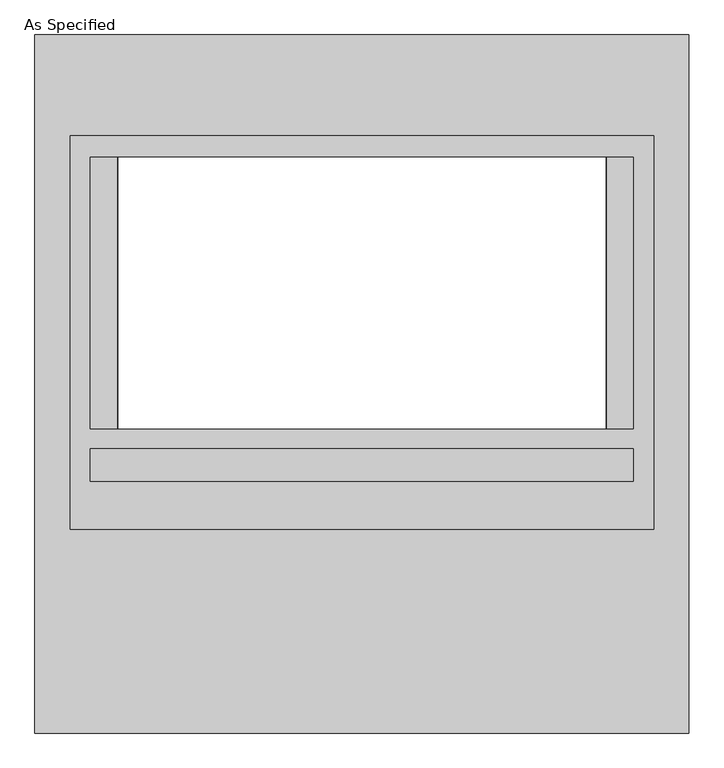
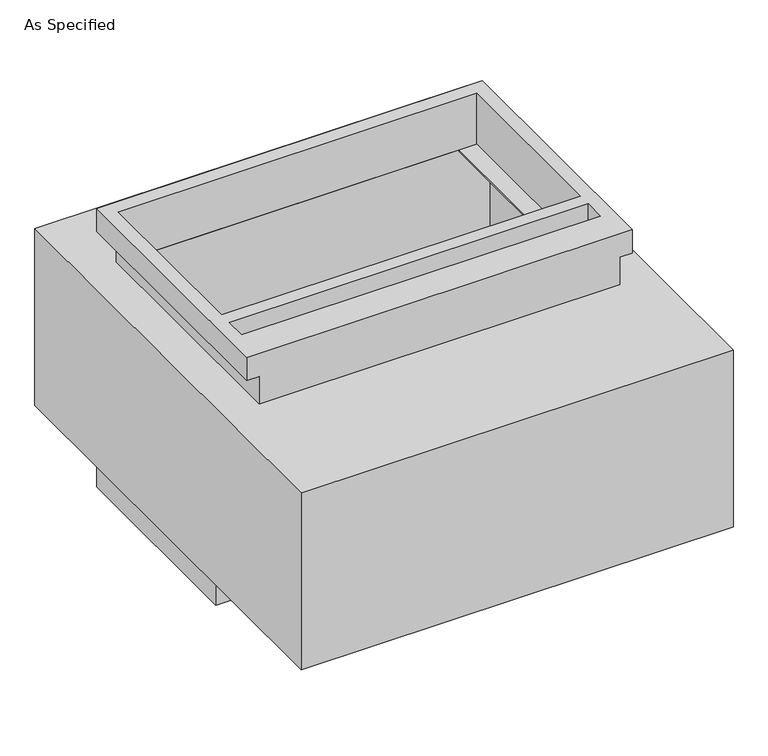
"""IFC4 building model written with IfcOpenShell, lengths in millimetres: proxy geometry, As Specified."""

from ifc_helpers import new_model, si_unit, frame, origin, place, context, project, spatial, polyline, circle_curve, faceted_brep, source, transform, mapped, element, save
from ifc_brep_helpers import plane_surface, revolved_surface, advanced_brep


def as_specified_eef8ee54(model_context):
    return source(origin(), model_context, "Body", "SolidModel", [
        faceted_brep([(546.1, 464.2941406, -682.7242188), (546.1, -119.9058594, -682.7242188), (-546.1, -119.9058594, -682.7242188), (-546.1, 464.2941406, -682.7242188), (508.0, -83.3933594, -682.7242188), (508.0, 424.6066406, -682.7242188), (-508.0, 424.6066406, -682.7242188), (-508.0, -83.3933594, -682.7242188), (-511.175, -119.9058594, -530.3242188), (511.175, -119.9058594, -530.3242188), (511.175, 429.3691406, -530.3242188), (-511.175, 429.3691406, -530.3242188), (508.0, 424.6066406, -530.3242188), (508.0, -83.3933594, -530.3242188), (-508.0, -83.3933594, -530.3242188), (-508.0, 424.6066406, -530.3242188), (-546.1, 464.2941406, -612.8742188), (546.1, 464.2941406, -612.8742188), (-546.1, -119.9058594, -612.8742188), (546.1, -119.9058594, -612.8742188), (511.175, -119.9058594, -612.8742188), (-511.175, -119.9058594, -612.8742188), (-511.175, 429.3691406, -612.8742188), (511.175, 429.3691406, -612.8742188)], [[[0, 1, 2, 3], [4, 5, 6, 7]], [[8, 9, 10, 11], [12, 13, 14, 15]], [[0, 3, 16, 17]], [[3, 2, 18, 16]], [[2, 1, 19, 20, 9, 8, 21, 18]], [[1, 0, 17, 19]], [[22, 23, 20, 19, 17, 16, 18, 21]], [[23, 10, 9, 20]], [[23, 22, 11, 10]], [[11, 22, 21, 8]], [[12, 5, 4, 13]], [[13, 4, 7, 14]], [[14, 7, 6, 15]], [[5, 12, 15, 6]]]),
        advanced_brep(
        [(611.98125, 653.3058594, -530.3242188), (611.98125, -653.3058594, -530.3242188), (-611.98125, -653.3058594, -530.3242188), (-611.98125, 653.3058594, -530.3242188), (457.2, -83.3933594, -530.3242188), (457.2, 424.6066406, -530.3242188), (-457.2, 424.6066406, -530.3242188), (-457.2, -83.3933594, -530.3242188), (611.98125, 653.3058594, 0.0), (-611.98125, 653.3058594, 0.0), (-611.98125, -653.3058594, 0.0), (611.98125, -653.3058594, 0.0), (457.2, 424.6066406, 0.0), (457.2, -83.3933594, 0.0), (-457.2, -83.3933594, 0.0), (-457.2, 424.6066406, 0.0), (611.98125, -272.3058594, -430.3117188), (611.98125, -294.5308594, -430.3117188), (611.98125, -170.7058594, -430.3117188), (611.98125, -192.9308594, -430.3117188), (611.98125, -272.3058594, -100.1117188), (611.98125, -294.5308594, -100.1117188), (611.98125, -170.7058594, -100.1117188), (611.98125, -192.9308594, -100.1117188), (-546.1, 424.6066406, -527.05), (-546.1, -83.3933594, -527.05), (-457.2, -83.3933594, -527.05), (-457.2, 424.6066406, -527.05), (546.1, -83.3933594, -527.05), (546.1, 424.6066406, -527.05), (457.2, 424.6066406, -527.05), (457.2, -83.3933594, -527.05), (546.1, 424.6066406, -3.175), (546.1, -83.3933594, -3.175), (457.2, -83.3933594, -3.175), (457.2, 424.6066406, -3.175), (-546.1, -83.3933594, -3.175), (-546.1, 424.6066406, -3.175), (-457.2, 424.6066406, -3.175), (-457.2, -83.3933594, -3.175), (596.128271, -294.5308594, -430.3117188), (596.128271, -272.3058594, -430.3117188), (596.128271, -192.9308594, -430.3117188), (596.128271, -170.7058594, -430.3117188), (596.128271, -294.5308594, -100.1117188), (596.128271, -272.3058594, -100.1117188), (596.128271, -192.9308594, -100.1117188), (596.128271, -170.7058594, -100.1117188)],
        [
            (0, 1),
            (1, 2),
            (2, 3),
            (3, 0),
            (4, 5),
            (5, 6),
            (6, 7),
            (7, 4),
            (8, 9),
            (9, 10),
            (10, 11),
            (11, 8),
            (12, 13),
            (13, 14),
            (14, 15),
            (15, 12),
            (3, 9),
            (8, 0),
            (2, 10),
            (1, 11),
            (16, 17, circle_curve(frame((611.98125, -283.4183594, -430.3117188), z_axis=(-1.0, 0.0, 0.0), x_axis=(0.0, 1.0, 0.0)), 11.1125)),
            (17, 16, circle_curve(frame((611.98125, -283.4183594, -430.3117188), z_axis=(-1.0, 0.0, 0.0), x_axis=(0.0, 1.0, 0.0)), 11.1125)),
            (18, 19, circle_curve(frame((611.98125, -181.8183594, -430.3117188), z_axis=(-1.0, 0.0, 0.0), x_axis=(0.0, 1.0, 0.0)), 11.1125)),
            (19, 18, circle_curve(frame((611.98125, -181.8183594, -430.3117188), z_axis=(-1.0, 0.0, 0.0), x_axis=(0.0, 1.0, 0.0)), 11.1125)),
            (20, 21, circle_curve(frame((611.98125, -283.4183594, -100.1117188), z_axis=(-1.0, 0.0, 0.0), x_axis=(0.0, 1.0, 0.0)), 11.1125)),
            (21, 20, circle_curve(frame((611.98125, -283.4183594, -100.1117188), z_axis=(-1.0, 0.0, 0.0), x_axis=(0.0, 1.0, 0.0)), 11.1125)),
            (22, 23, circle_curve(frame((611.98125, -181.8183594, -100.1117188), z_axis=(-1.0, 0.0, 0.0), x_axis=(0.0, 1.0, 0.0)), 11.1125)),
            (23, 22, circle_curve(frame((611.98125, -181.8183594, -100.1117188), z_axis=(-1.0, 0.0, 0.0), x_axis=(0.0, 1.0, 0.0)), 11.1125)),
            (24, 25),
            (25, 26),
            (26, 27),
            (27, 24),
            (28, 29),
            (29, 30),
            (30, 31),
            (31, 28),
            (32, 33),
            (33, 34),
            (34, 35),
            (35, 32),
            (36, 37),
            (37, 38),
            (38, 39),
            (39, 36),
            (28, 33),
            (32, 29),
            (31, 4),
            (7, 26),
            (25, 36),
            (39, 14),
            (13, 34),
            (24, 37),
            (35, 12),
            (15, 38),
            (27, 6),
            (5, 30),
            (40, 41, circle_curve(frame((596.128271, -283.4183594, -430.3117188), z_axis=(1.0, 0.0, 0.0), x_axis=(0.0, 1.0, 0.0)), 11.1125)),
            (41, 40, circle_curve(frame((596.128271, -283.4183594, -430.3117188), z_axis=(1.0, 0.0, 0.0), x_axis=(0.0, 1.0, 0.0)), 11.1125)),
            (42, 43, circle_curve(frame((596.128271, -181.8183594, -430.3117188), z_axis=(1.0, 0.0, 0.0), x_axis=(0.0, 1.0, 0.0)), 11.1125)),
            (43, 42, circle_curve(frame((596.128271, -181.8183594, -430.3117188), z_axis=(1.0, 0.0, 0.0), x_axis=(0.0, 1.0, 0.0)), 11.1125)),
            (44, 45, circle_curve(frame((596.128271, -283.4183594, -100.1117188), z_axis=(1.0, 0.0, 0.0), x_axis=(0.0, 1.0, 0.0)), 11.1125)),
            (45, 44, circle_curve(frame((596.128271, -283.4183594, -100.1117188), z_axis=(1.0, 0.0, 0.0), x_axis=(0.0, 1.0, 0.0)), 11.1125)),
            (46, 47, circle_curve(frame((596.128271, -181.8183594, -100.1117188), z_axis=(1.0, 0.0, 0.0), x_axis=(0.0, 1.0, 0.0)), 11.1125)),
            (47, 46, circle_curve(frame((596.128271, -181.8183594, -100.1117188), z_axis=(1.0, 0.0, 0.0), x_axis=(0.0, 1.0, 0.0)), 11.1125)),
            (40, 17),
            (16, 41),
            (42, 19),
            (18, 43),
            (44, 21),
            (20, 45),
            (46, 23),
            (22, 47),
        ],
        [
            plane_surface(frame((-611.98125, 653.3058594, -530.3242188), z_axis=(0.0, 0.0, -1.0), x_axis=(1.0, 0.0, 0.0))),
            plane_surface(frame((-611.98125, 653.3058594, 0.0), z_axis=(0.0, 0.0, 1.0), x_axis=(-1.0, 0.0, 0.0))),
            plane_surface(frame((611.98125, 653.3058594, 0.0), z_axis=(0.0, 1.0, 0.0), x_axis=(0.0, 0.0, -1.0))),
            plane_surface(frame((-611.98125, 653.3058594, 0.0), z_axis=(-1.0, 0.0, 0.0), x_axis=(0.0, 0.0, -1.0))),
            plane_surface(frame((-611.98125, -653.3058594, 0.0), z_axis=(0.0, -1.0, 0.0), x_axis=(0.0, 0.0, -1.0))),
            plane_surface(frame((611.98125, -653.3058594, 0.0), z_axis=(1.0, 0.0, 0.0), x_axis=(0.0, 0.0, -1.0))),
            plane_surface(frame((546.1, 424.6066406, -527.05), z_axis=(0.0, 0.0, 1.0), x_axis=(0.0, -1.0, 0.0))),
            plane_surface(frame((546.1, 424.6066406, -3.175), z_axis=(0.0, 0.0, -1.0), x_axis=(0.0, 1.0, 0.0))),
            plane_surface(frame((546.1, 424.6066406, -527.05), z_axis=(-1.0, 0.0, 0.0), x_axis=(0.0, 0.0, 1.0))),
            plane_surface(frame((546.1, -83.3933594, -527.05), z_axis=(0.0, 1.0, 0.0), x_axis=(0.0, 0.0, 1.0))),
            plane_surface(frame((-546.1, -83.3933594, -527.05), z_axis=(1.0, 0.0, 0.0), x_axis=(0.0, 0.0, 1.0))),
            plane_surface(frame((-546.1, 424.6066406, -527.05), z_axis=(0.0, -1.0, 0.0), x_axis=(0.0, 0.0, 1.0))),
            plane_surface(frame((457.2, 424.6066406, -25.4), z_axis=(-1.0, 0.0, 0.0), x_axis=(0.0, 0.0, 1.0))),
            plane_surface(frame((-457.2, -83.3933594, -25.4), z_axis=(1.0, 0.0, 0.0), x_axis=(0.0, 0.0, 1.0))),
            plane_surface(frame((596.128271, -272.3058594, -430.3117188), z_axis=(1.0, 0.0, 0.0), x_axis=(0.0, 0.0, -1.0))),
            revolved_surface(polyline([(611.98125, -272.3058594, -430.3117188), (596.128271, -272.3058594, -430.3117188)]), (596.128271, -283.4183594, -430.3117188), (1.0, 0.0, 0.0)),
            revolved_surface(polyline([(611.98125, -170.70585939999998, -430.3117188), (596.128271, -170.70585939999998, -430.3117188)]), (0.0, -181.8183594, -430.3117188), (1.0, 0.0, 0.0)),
            revolved_surface(polyline([(611.98125, -272.3058594, -100.1117188), (596.128271, -272.3058594, -100.1117188)]), (0.0, -283.4183594, -100.1117188), (1.0, 0.0, 0.0)),
            revolved_surface(polyline([(611.98125, -170.70585939999998, -100.1117188), (596.128271, -170.70585939999998, -100.1117188)]), (0.0, -181.8183594, -100.1117188), (1.0, 0.0, 0.0)),
            plane_surface(frame((457.2, -83.3933594, -504.9242188), z_axis=(-1.0, 0.0, 0.0), x_axis=(0.0, 0.0, -1.0))),
            plane_surface(frame((-457.2, 424.6066406, -504.9242188), z_axis=(1.0, 0.0, 0.0), x_axis=(0.0, 0.0, -1.0))),
        ],
        [
            (0, [[1, 2, 3, 4], [5, 6, 7, 8]]),
            (1, [[9, 10, 11, 12], [13, 14, 15, 16]]),
            (2, [[-4, 17, -9, 18]]),
            (3, [[-3, 19, -10, -17]]),
            (4, [[-2, 20, -11, -19]]),
            (5, [[-1, -18, -12, -20], [21, 22], [23, 24], [25, 26], [27, 28]]),
            (6, [[29, 30, 31, 32]]),
            (6, [[33, 34, 35, 36]]),
            (7, [[37, 38, 39, 40]]),
            (7, [[41, 42, 43, 44]]),
            (8, [[-33, 45, -37, 46]]),
            (9, [[-45, -36, 47, -8, 48, -30, 49, -44, 50, -14, 51, -38]]),
            (10, [[-29, 52, -41, -49]]),
            (11, [[-46, -40, 53, -16, 54, -42, -52, -32, 55, -6, 56, -34]]),
            (12, [[-53, -39, -51, -13]]),
            (13, [[-50, -43, -54, -15]]),
            (14, [[57, 58]]),
            (14, [[59, 60]]),
            (14, [[61, 62]]),
            (14, [[63, 64]]),
            (15, [[-57, 65, -21, 66]]),
            (15, [[-58, -66, -22, -65]]),
            (16, [[-59, 67, -23, 68]]),
            (16, [[-60, -68, -24, -67]]),
            (17, [[-61, 69, -25, 70]]),
            (17, [[-62, -70, -26, -69]]),
            (18, [[-63, 71, -27, 72]]),
            (18, [[-64, -72, -28, -71]]),
            (19, [[-47, -35, -56, -5]]),
            (20, [[-48, -7, -55, -31]]),
        ],
    ),
        faceted_brep([(546.1, 464.2941406, 152.4), (-546.1, 464.2941406, 152.4), (-546.1, -272.3058594, 152.4), (546.1, -272.3058594, 152.4), (508.0, 424.6066406, 152.4), (508.0, -83.3933594, 152.4), (-508.0, -83.3933594, 152.4), (-508.0, 424.6066406, 152.4), (508.0, -121.4933594, 152.4), (508.0, -181.8183594, 152.4), (-508.0, -181.8183594, 152.4), (-508.0, -121.4933594, 152.4), (511.175, -272.3058594, 0.0), (-511.175, -272.3058594, 0.0), (-511.175, 429.3691406, 0.0), (511.175, 429.3691406, 0.0), (508.0, -83.3933594, 0.0), (508.0, 424.6066406, 0.0), (-508.0, 424.6066406, 0.0), (-508.0, -83.3933594, 0.0), (546.1, 464.2941406, 82.55), (-546.1, 464.2941406, 82.55), (-546.1, -272.3058594, 82.55), (-511.175, -272.3058594, 82.55), (511.175, -272.3058594, 82.55), (546.1, -272.3058594, 82.55), (511.175, 429.3691406, 82.55), (-511.175, 429.3691406, 82.55), (508.0, -121.4933594, 82.55), (-508.0, -121.4933594, 82.55), (-508.0, -181.8183594, 82.55), (508.0, -181.8183594, 82.55)], [[[0, 1, 2, 3], [4, 5, 6, 7], [8, 9, 10, 11]], [[12, 13, 14, 15], [16, 17, 18, 19]], [[1, 0, 20, 21]], [[2, 1, 21, 22]], [[3, 2, 22, 23, 13, 12, 24, 25]], [[0, 3, 25, 20]], [[24, 26, 27, 23, 22, 21, 20, 25]], [[26, 24, 12, 15]], [[27, 26, 15, 14]], [[23, 27, 14, 13]], [[16, 5, 4, 17]], [[5, 16, 19, 6]], [[6, 19, 18, 7]], [[17, 4, 7, 18]], [[28, 29, 30, 31]], [[28, 31, 9, 8]], [[31, 30, 10, 9]], [[30, 29, 11, 10]], [[29, 28, 8, 11]]]),
    ])


if __name__ == "__main__":
    model = new_model("IFC4")
    model_context = context("Model", 3, world=origin())
    ifc_project = project(units=[si_unit("LENGTHUNIT", "METRE", prefix="MILLI")], contexts=[model_context])
    site = spatial("IfcSite", under=ifc_project)
    building = spatial("IfcBuilding", under=site)
    placement = place(None, origin())
    as_specified_shape = as_specified_eef8ee54(model_context)
    element("IfcBuildingElementProxy", 1, Name="As Specified", ObjectType="As Specified", at=placement, inside=building, context=model_context, shape_type="MappedRepresentation", body=[
        mapped(as_specified_shape, transform((0.0, 0.0, 0.0), x_axis=(1.0, 0.0, 0.0), y_axis=(0.0, 1.0, 0.0), z_axis=(0.0, 0.0, 1.0))),
    ])
    save(model, "model.ifc")
